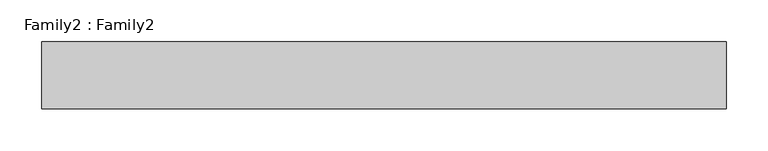
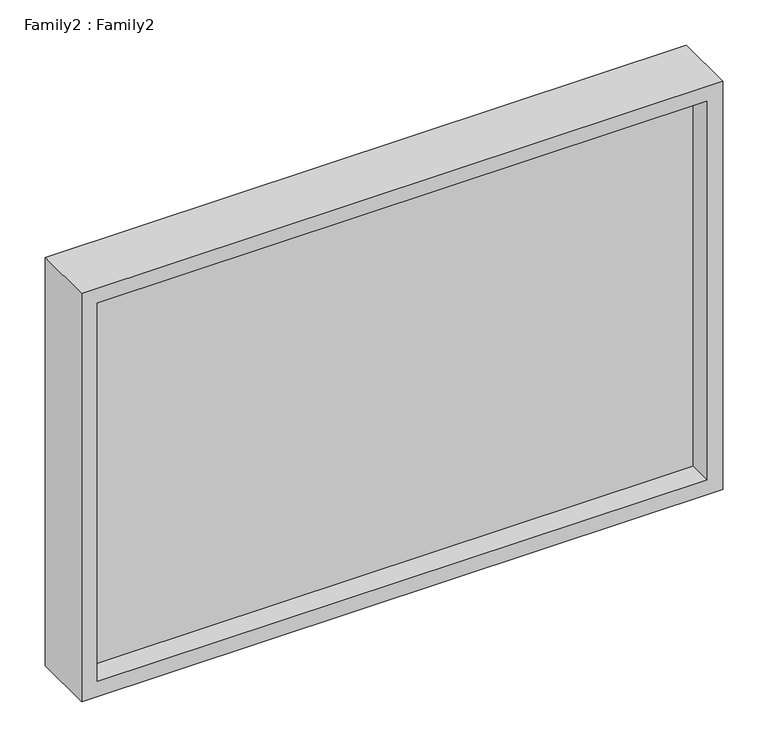
"""IFC4 building model written with IfcOpenShell, lengths in millimetres: plate geometry, Family2 : Family2."""

from ifc_helpers import new_model, si_unit, frame, origin, place, context, project, spatial, polyline, outline, extrude, source, transform, mapped, element, save


def family2_family2_89bafbce(model_context):
    return source(origin(), model_context, "Body", "SweptSolid", [
        extrude(outline(polyline([(550.0, -408.3333333), (0.0, -408.3333333), (0.0, 408.3333333), (550.0, 408.3333333), (550.0, -408.3333333)]), holes=[polyline([(20.0, -388.3333333), (530.0, -388.3333333), (530.0, 388.3333333), (20.0, 388.3333333), (20.0, -388.3333333)])]), frame((0.0, -40.0, 0.0), z_axis=(0.0, 1.0, 0.0), x_axis=(0.0, 0.0, 1.0)), (0.0, 0.0, 1.0), 80.0),
        extrude(outline(polyline([(388.3333333, -10.0), (-388.3333333, -10.0), (-388.3333333, 10.0), (388.3333333, 10.0), (388.3333333, -10.0)])), frame((0.0, 0.0, 20.0), z_axis=(0.0, 0.0, 1.0), x_axis=(1.0, 0.0, 0.0)), (0.0, 0.0, 1.0), 510.0),
    ])


if __name__ == "__main__":
    model = new_model("IFC4")
    model_context = context("Model", 3, world=origin())
    ifc_project = project(units=[si_unit("LENGTHUNIT", "METRE", prefix="MILLI")], contexts=[model_context])
    site = spatial("IfcSite", under=ifc_project)
    building = spatial("IfcBuilding", under=site)
    placement = place(None, origin())
    family2_family2_shape = family2_family2_89bafbce(model_context)
    element("IfcPlate", 1, ObjectType="Family2 : Family2", at=placement, inside=building, context=model_context, shape_type="MappedRepresentation", body=[
        mapped(family2_family2_shape, transform((0.0, 0.0, 0.0), x_axis=(1.0, 0.0, 0.0), y_axis=(0.0, 1.0, 0.0), z_axis=(0.0, 0.0, 1.0))),
    ])
    save(model, "model.ifc")
